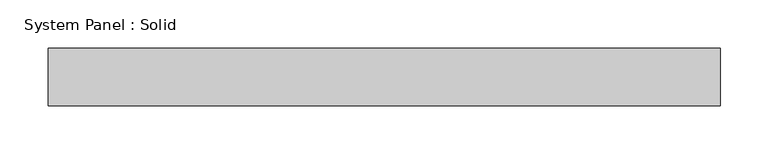
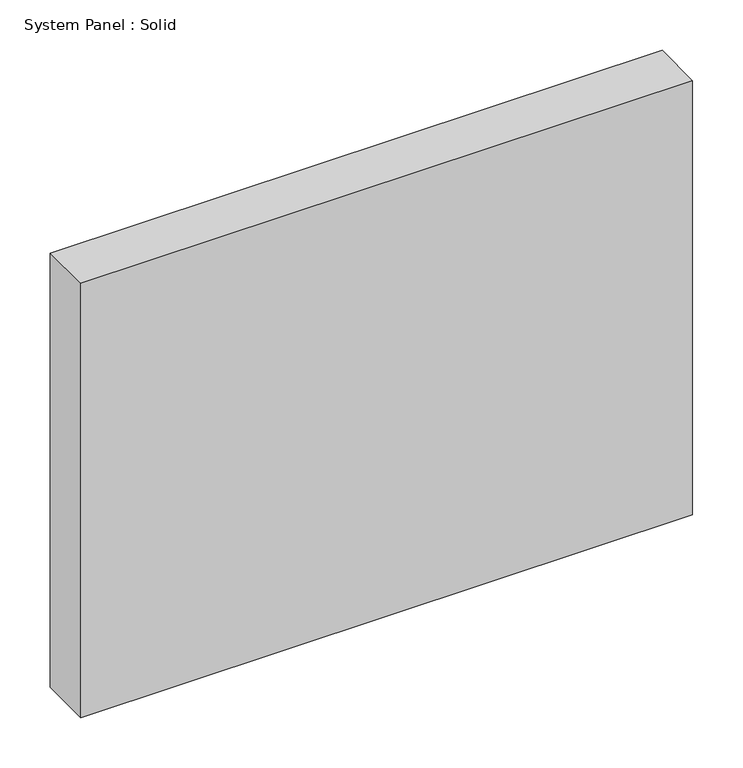
"""IFC4 building model written with IfcOpenShell, lengths in millimetres: plate geometry, System Panel : Solid."""

from ifc_helpers import new_model, si_unit, origin, origin_with_axes, place, context, project, spatial, polyline, outline, extrude, source, transform, mapped, element, save


def system_panel_solid_dcf7f52e(model_context):
    return source(origin(), model_context, "Body", "SweptSolid", [
        extrude(outline(polyline([(350.0, -49.5), (-350.0, -49.5), (-350.0, 10.5), (350.0, 10.5), (350.0, -49.5)])), origin_with_axes(), (0.0, 0.0, 1.0), 525.0),
    ])


if __name__ == "__main__":
    model = new_model("IFC4")
    model_context = context("Model", 3, world=origin())
    ifc_project = project(units=[si_unit("LENGTHUNIT", "METRE", prefix="MILLI")], contexts=[model_context])
    site = spatial("IfcSite", under=ifc_project)
    building = spatial("IfcBuilding", under=site)
    placement = place(None, origin())
    system_panel_solid_shape = system_panel_solid_dcf7f52e(model_context)
    element("IfcPlate", 1, ObjectType="System Panel : Solid", at=placement, inside=building, context=model_context, shape_type="MappedRepresentation", body=[
        mapped(system_panel_solid_shape, transform((0.0, 0.0, 0.0), x_axis=(1.0, 0.0, 0.0), y_axis=(0.0, 1.0, 0.0), z_axis=(0.0, 0.0, 1.0))),
    ])
    save(model, "model.ifc")
